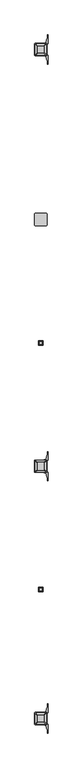
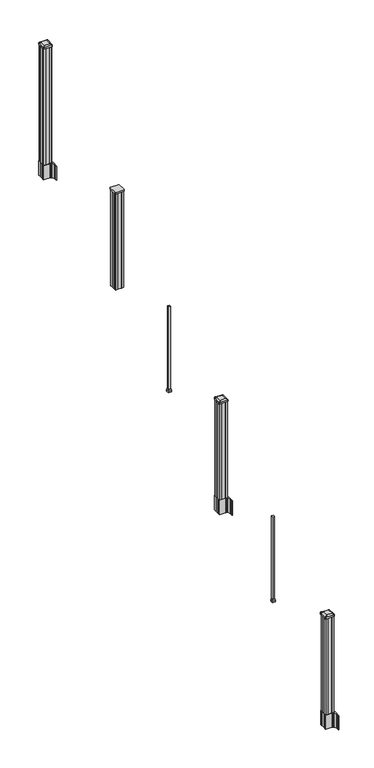
"""IFC4 building model written with IfcOpenShell, lengths in millimetres: railing geometry."""

from ifc_helpers import new_model, si_unit, point, frame, frame_2d, origin, place, context, project, spatial, polyline, circle_curve, trimmed, segment, composite_curve, outline, extrude, faceted_brep, source, transform, mapped, element, save
from ifc_brep_helpers import plane_surface, extruded_surface, advanced_brep


def railing_9b1056f4(model_context):
    return source(origin(), model_context, "Body", "SolidModel", [
        extrude(outline(composite_curve([segment(polyline([(5982.5345228, -99543.3065953), (5898.3970228, -99543.3065953)]), True, "CONTINUOUS"), segment(trimmed(circle_curve(frame_2d((5898.3970228, -99540.1315953)), 3.175), [point((5898.3970228, -99543.3065953))], [point((5895.2220228, -99540.1315953))], False, "CARTESIAN"), True, "CONTINUOUS"), segment(polyline([(5895.2220228, -99540.1315953), (5895.2220228, -99455.9940953)]), True, "CONTINUOUS"), segment(trimmed(circle_curve(frame_2d((5898.3970228, -99455.9940953)), 3.175), [point((5895.2220228, -99455.9940953))], [point((5898.3970228, -99452.8190953))], False, "CARTESIAN"), True, "CONTINUOUS"), segment(polyline([(5898.3970228, -99452.8190953), (5982.5345228, -99452.8190953)]), True, "CONTINUOUS"), segment(trimmed(circle_curve(frame_2d((5982.5345228, -99455.9940953)), 3.175), [point((5982.5345228, -99452.8190953))], [point((5985.7095228, -99455.9940953))], False, "CARTESIAN"), True, "CONTINUOUS"), segment(polyline([(5985.7095228, -99455.9940953), (5985.7095228, -99540.1315953)]), True, "CONTINUOUS"), segment(trimmed(circle_curve(frame_2d((5982.5345228, -99540.1315953)), 3.175), [point((5985.7095228, -99540.1315953))], [point((5982.5345228, -99543.3065953))], False, "CARTESIAN"), True, "CONTINUOUS")], self_intersect=False)), frame((0.0, 0.0, 3507.864263), z_axis=(0.0, 0.0, 1.0), x_axis=(1.0, 0.0, 0.0)), (0.0, 0.0, 1.0), 17.272),
        extrude(outline(polyline([(5980.1532728, -99539.3378453), (5960.5317728, -99539.3378453), (5959.7697728, -99537.7503453), (5921.1617728, -99537.7503453), (5920.3997728, -99539.3378453), (5900.7782728, -99539.3378453), (5899.1907728, -99537.7503453), (5899.1907728, -99518.1288453), (5900.7782728, -99517.3668453), (5900.7782728, -99478.7588453), (5899.1907728, -99477.9968453), (5899.1907728, -99458.3753453), (5900.7782728, -99456.7878453), (5920.3997728, -99456.7878453), (5921.1617728, -99458.3753453), (5959.7697728, -99458.3753453), (5960.5317728, -99456.7878453), (5980.1532728, -99456.7878453), (5981.7407728, -99458.3753453), (5981.7407728, -99477.9968453), (5980.1532728, -99478.7588453), (5980.1532728, -99517.3668453), (5981.7407728, -99518.1288453), (5981.7407728, -99537.7503453), (5980.1532728, -99539.3378453)])), frame((0.0, 0.0, 2476.5), z_axis=(0.0, 0.0, 1.0), x_axis=(1.0, 0.0, 0.0)), (0.0, 0.0, 1.0), 1031.364263),
        faceted_brep([(5927.7657728, -100425.1628453, 1937.1497081), (5953.1657728, -100425.1628453, 1937.1497081), (5953.1657728, -100399.7628453, 1937.1497081), (5927.7657728, -100399.7628453, 1937.1497081), (5924.5907728, -100428.3378453, 1921.2747081), (5924.5907728, -100396.5878453, 1921.2747081), (5956.3407728, -100396.5878453, 1921.2747081), (5956.3407728, -100428.3378453, 1921.2747081)], [[[0, 1, 2, 3]], [[4, 5, 6, 7]], [[4, 7, 1, 0]], [[7, 6, 2, 1]], [[6, 5, 3, 2]], [[5, 4, 0, 3]]]),
        extrude(outline(polyline([(5924.5907728, -100428.3378453), (5924.5907728, -100396.5878453), (5956.3407728, -100396.5878453), (5956.3407728, -100428.3378453), (5924.5907728, -100428.3378453)])), frame((0.0, 0.0, 1905.0), z_axis=(0.0, 0.0, 1.0), x_axis=(1.0, 0.0, 0.0)), (0.0, 0.0, 1.0), 16.2747081),
        extrude(outline(polyline([(5930.9407728, -100421.9878453), (5930.9407728, -100402.9378453), (5949.9907728, -100402.9378453), (5949.9907728, -100421.9878453), (5930.9407728, -100421.9878453)])), frame((0.0, 0.0, 1905.0), z_axis=(0.0, 0.0, 1.0), x_axis=(1.0, 0.0, 0.0)), (0.0, 0.0, 1.0), 914.4),
        extrude(outline(composite_curve([segment(polyline([(5897.7302728, -101344.2489401), (5897.7302728, -101309.4767504), (5896.1427728, -101308.7147504), (5896.1427728, -101285.9128224), (5899.5157498, -101282.5398453), (5960.9754206, -101282.5398453), (5960.9754206, -101281.6190953), (5966.2929645, -101281.6190953), (5966.2929645, -101280.1648406), (5971.3774942, -101280.1648406), (5971.3774942, -101278.8808168), (5973.0447665, -101278.8808168)]), True, "CONTINUOUS"), segment(trimmed(circle_curve(frame_2d((5973.0447665, -101271.8213569)), 7.0594599), [point((5973.0447665, -101278.8808168))], [point((5979.8120293, -101273.8313636))], True, "CARTESIAN"), True, "CONTINUOUS"), segment(polyline([(5979.8120293, -101273.8313636), (5987.6862236, -101247.3206345)]), True, "CONTINUOUS"), segment(trimmed(circle_curve(frame_2d((5932.9017103, -101231.0485848)), 57.15), [point((5987.6862236, -101247.3206345))], [point((5990.0517103, -101231.0485848))], True, "CARTESIAN"), True, "CONTINUOUS"), segment(polyline([(5990.0517103, -101231.0485848), (5990.0517103, -101219.0398453), (5993.0517103, -101219.0398453), (5993.0517103, -101284.1273453), (5984.7887728, -101295.4656366), (5984.7887728, -101308.7147504), (5983.2012728, -101309.4767504), (5983.2012728, -101344.2489401), (5984.7887728, -101345.0109401), (5984.7887728, -101358.260054), (5993.0517103, -101369.5983453), (5993.0517103, -101434.6858453), (5990.0517103, -101434.6858453), (5990.0517103, -101422.6771057)]), True, "CONTINUOUS"), segment(trimmed(circle_curve(frame_2d((5932.9017103, -101422.6771057)), 57.15), [point((5990.0517103, -101422.6771057))], [point((5987.6862236, -101406.4050561))], True, "CARTESIAN"), True, "CONTINUOUS"), segment(polyline([(5987.6862236, -101406.4050561), (5979.8120293, -101379.894327)]), True, "CONTINUOUS"), segment(trimmed(circle_curve(frame_2d((5973.0447665, -101381.9043337)), 7.0594599), [point((5979.8120293, -101379.894327))], [point((5973.0447665, -101374.8448738))], True, "CARTESIAN"), True, "CONTINUOUS"), segment(polyline([(5973.0447665, -101374.8448738), (5971.3774942, -101374.8448738), (5971.3774942, -101373.56085), (5966.2929645, -101373.56085), (5966.2929645, -101372.1065953), (5960.9754206, -101372.1065953), (5960.9754206, -101371.1858453), (5899.5157498, -101371.1858453), (5896.1427728, -101367.8128682), (5896.1427728, -101345.0109401), (5897.7302728, -101344.2489401)]), True, "CONTINUOUS")], self_intersect=False), holes=[polyline([(5981.7407728, -101287.1753453), (5980.1532728, -101285.5878453), (5943.2289902, -101285.5878453), (5900.7782728, -101285.5878453), (5899.1907728, -101287.1753453), (5899.1907728, -101366.5503453), (5900.7782728, -101368.1378453), (5943.2289902, -101368.1378453), (5980.1532728, -101368.1378453), (5981.7407728, -101366.5503453), (5981.7407728, -101287.1753453)])]), frame((0.0, 0.0, 1181.1), z_axis=(0.0, 0.0, 1.0), x_axis=(1.0, 0.0, 0.0)), (0.0, 0.0, 1.0), 152.4),
        advanced_brep(
        [(5966.2626478, -101355.8347203, 2393.439263), (5969.4376478, -101352.6597203, 2393.439263), (5969.4376478, -101301.0659703, 2393.439263), (5966.2626478, -101297.8909703, 2393.439263), (5914.6688978, -101297.8909703, 2393.439263), (5911.4938978, -101301.0659703, 2393.439263), (5911.4938978, -101352.6597203, 2393.439263), (5914.6688978, -101355.8347203, 2393.439263), (5982.5345228, -101372.1065953, 2382.136263), (5898.3970228, -101372.1065953, 2382.136263), (5895.2220228, -101368.9315953, 2382.136263), (5895.2220228, -101284.7940953, 2382.136263), (5898.3970228, -101281.6190953, 2382.136263), (5982.5345228, -101281.6190953, 2382.136263), (5985.7095228, -101284.7940953, 2382.136263), (5985.7095228, -101368.9315953, 2382.136263)],
        [
            (0, 1, circle_curve(frame((5966.2626478, -101352.6597203, 2393.439263), z_axis=(0.0, 0.0, 1.0), x_axis=(0.0, 1.0, 0.0)), 3.175)),
            (1, 2),
            (2, 3, circle_curve(frame((5966.2626478, -101301.0659703, 2393.439263), z_axis=(0.0, 0.0, 1.0), x_axis=(0.0, 1.0, 0.0)), 3.175)),
            (3, 4),
            (4, 5, circle_curve(frame((5914.6688978, -101301.0659703, 2393.439263), z_axis=(0.0, 0.0, 1.0), x_axis=(0.0, 1.0, 0.0)), 3.175)),
            (5, 6),
            (6, 7, circle_curve(frame((5914.6688978, -101352.6597203, 2393.439263), z_axis=(0.0, 0.0, 1.0), x_axis=(0.0, 1.0, 0.0)), 3.175)),
            (7, 0),
            (8, 9),
            (9, 10, circle_curve(frame((5898.3970228, -101368.9315953, 2382.136263), z_axis=(0.0, 0.0, -1.0), x_axis=(0.0, 1.0, 0.0)), 3.175)),
            (10, 11),
            (11, 12, circle_curve(frame((5898.3970228, -101284.7940953, 2382.136263), z_axis=(0.0, 0.0, -1.0), x_axis=(0.0, 1.0, 0.0)), 3.175)),
            (12, 13),
            (13, 14, circle_curve(frame((5982.5345228, -101284.7940953, 2382.136263), z_axis=(0.0, 0.0, -1.0), x_axis=(0.0, 1.0, 0.0)), 3.175)),
            (14, 15),
            (15, 8, circle_curve(frame((5982.5345228, -101368.9315953, 2382.136263), z_axis=(0.0, 0.0, -1.0), x_axis=(0.0, 1.0, 0.0)), 3.175)),
            (15, 1),
            (0, 8),
            (14, 2),
            (13, 3),
            (12, 4),
            (11, 5),
            (10, 6),
            (9, 7),
        ],
        [
            plane_surface(frame((5940.4657728, -101326.8628453, 2393.439263), z_axis=(0.0, 0.0, 1.0), x_axis=(1.0, 0.0, 0.0))),
            plane_surface(frame((5940.4657728, -101326.8628453, 2382.136263), z_axis=(0.0, 0.0, -1.0), x_axis=(1.0, 0.0, 0.0))),
            extruded_surface(trimmed(circle_curve(frame((5982.5345228, -101368.9315953, 2382.136263), z_axis=(0.0, 0.0, 1.0), x_axis=(0.0, 1.0, 0.0)), 3.175), [point((5982.5345228, -101372.1065953, 2382.136263))], [point((5985.7095228, -101368.9315953, 2382.136263))], True, "CARTESIAN"), (-16.271874999999454, 16.27187500000582, 11.303000000000338), 25.63797263886966),
            plane_surface(frame((5985.7095228, -101326.8628453, 2382.136263), z_axis=(0.5705009161540778, 0.0, 0.8212969649690408), x_axis=(0.0, 1.0, 0.0))),
            extruded_surface(trimmed(circle_curve(frame((5982.5345228, -101284.7940953, 2382.136263), z_axis=(0.0, 0.0, 1.0), x_axis=(0.0, 1.0, 0.0)), 3.175), [point((5985.7095228, -101284.7940953, 2382.136263))], [point((5982.5345228, -101281.6190953, 2382.136263))], True, "CARTESIAN"), (-16.271874999999454, -16.27187499999127, 11.303000000000338), 25.637972638860422),
            plane_surface(frame((5940.4657728, -101281.6190953, 2382.136263), z_axis=(0.0, 0.5705009161540291, 0.8212969649690747), x_axis=(-1.0, 0.0, 0.0))),
            extruded_surface(trimmed(circle_curve(frame((5898.3970228, -101284.7940953, 2382.136263), z_axis=(0.0, 0.0, 1.0), x_axis=(0.0, 1.0, 0.0)), 3.175), [point((5898.3970228, -101281.6190953, 2382.136263))], [point((5895.2220228, -101284.7940953, 2382.136263))], True, "CARTESIAN"), (16.271875000000364, -16.27187499999127, 11.303000000000338), 25.637972638861),
            plane_surface(frame((5895.2220228, -101326.8628453, 2382.136263), z_axis=(-0.5705009161540142, 0.0, 0.8212969649690851), x_axis=(0.0, -1.0, 0.0))),
            extruded_surface(trimmed(circle_curve(frame((5898.3970228, -101368.9315953, 2382.136263), z_axis=(0.0, 0.0, 1.0), x_axis=(0.0, 1.0, 0.0)), 3.175), [point((5895.2220228, -101368.9315953, 2382.136263))], [point((5898.3970228, -101372.1065953, 2382.136263))], True, "CARTESIAN"), (16.271875000000364, 16.27187500000582, 11.303000000000338), 25.637972638870238),
            plane_surface(frame((5940.4657728, -101372.1065953, 2382.136263), z_axis=(0.0, -0.570500916154034, 0.8212969649690713), x_axis=(1.0, 0.0, 0.0))),
        ],
        [
            (0, [[1, 2, 3, 4, 5, 6, 7, 8]]),
            (1, [[9, 10, 11, 12, 13, 14, 15, 16]]),
            (2, [[-16, 17, -1, 18]]),
            (3, [[-15, 19, -2, -17]]),
            (4, [[-14, 20, -3, -19]]),
            (5, [[-13, 21, -4, -20]]),
            (6, [[-12, 22, -5, -21]]),
            (7, [[-11, 23, -6, -22]]),
            (8, [[-10, 24, -7, -23]]),
            (9, [[-9, -18, -8, -24]]),
        ],
    ),
        extrude(outline(composite_curve([segment(polyline([(5982.5345228, -101372.1065953), (5898.3970228, -101372.1065953)]), True, "CONTINUOUS"), segment(trimmed(circle_curve(frame_2d((5898.3970228, -101368.9315953)), 3.175), [point((5898.3970228, -101372.1065953))], [point((5895.2220228, -101368.9315953))], False, "CARTESIAN"), True, "CONTINUOUS"), segment(polyline([(5895.2220228, -101368.9315953), (5895.2220228, -101284.7940953)]), True, "CONTINUOUS"), segment(trimmed(circle_curve(frame_2d((5898.3970228, -101284.7940953)), 3.175), [point((5895.2220228, -101284.7940953))], [point((5898.3970228, -101281.6190953))], False, "CARTESIAN"), True, "CONTINUOUS"), segment(polyline([(5898.3970228, -101281.6190953), (5982.5345228, -101281.6190953)]), True, "CONTINUOUS"), segment(trimmed(circle_curve(frame_2d((5982.5345228, -101284.7940953)), 3.175), [point((5982.5345228, -101281.6190953))], [point((5985.7095228, -101284.7940953))], False, "CARTESIAN"), True, "CONTINUOUS"), segment(polyline([(5985.7095228, -101284.7940953), (5985.7095228, -101368.9315953)]), True, "CONTINUOUS"), segment(trimmed(circle_curve(frame_2d((5982.5345228, -101368.9315953)), 3.175), [point((5985.7095228, -101368.9315953))], [point((5982.5345228, -101372.1065953))], False, "CARTESIAN"), True, "CONTINUOUS")], self_intersect=False)), frame((0.0, 0.0, 2364.864263), z_axis=(0.0, 0.0, 1.0), x_axis=(1.0, 0.0, 0.0)), (0.0, 0.0, 1.0), 17.272),
        extrude(outline(polyline([(5980.1532728, -101368.1378453), (5960.5317728, -101368.1378453), (5959.7697728, -101366.5503453), (5921.1617728, -101366.5503453), (5920.3997728, -101368.1378453), (5900.7782728, -101368.1378453), (5899.1907728, -101366.5503453), (5899.1907728, -101346.9288453), (5900.7782728, -101346.1668453), (5900.7782728, -101307.5588453), (5899.1907728, -101306.7968453), (5899.1907728, -101287.1753453), (5900.7782728, -101285.5878453), (5920.3997728, -101285.5878453), (5921.1617728, -101287.1753453), (5959.7697728, -101287.1753453), (5960.5317728, -101285.5878453), (5980.1532728, -101285.5878453), (5981.7407728, -101287.1753453), (5981.7407728, -101306.7968453), (5980.1532728, -101307.5588453), (5980.1532728, -101346.1668453), (5981.7407728, -101346.9288453), (5981.7407728, -101366.5503453), (5980.1532728, -101368.1378453)])), frame((0.0, 0.0, 1333.5), z_axis=(0.0, 0.0, 1.0), x_axis=(1.0, 0.0, 0.0)), (0.0, 0.0, 1.0), 1031.364263),
        faceted_brep([(5927.7657728, -102253.9628453, 794.1497081), (5953.1657728, -102253.9628453, 794.1497081), (5953.1657728, -102228.5628453, 794.1497081), (5927.7657728, -102228.5628453, 794.1497081), (5924.5907728, -102257.1378453, 778.2747081), (5924.5907728, -102225.3878453, 778.2747081), (5956.3407728, -102225.3878453, 778.2747081), (5956.3407728, -102257.1378453, 778.2747081)], [[[0, 1, 2, 3]], [[4, 5, 6, 7]], [[4, 7, 1, 0]], [[7, 6, 2, 1]], [[6, 5, 3, 2]], [[5, 4, 0, 3]]]),
        extrude(outline(polyline([(5924.5907728, -102257.1378453), (5924.5907728, -102225.3878453), (5956.3407728, -102225.3878453), (5956.3407728, -102257.1378453), (5924.5907728, -102257.1378453)])), frame((0.0, 0.0, 762.0), z_axis=(0.0, 0.0, 1.0), x_axis=(1.0, 0.0, 0.0)), (0.0, 0.0, 1.0), 16.2747081),
        extrude(outline(polyline([(5930.9407728, -102250.7878453), (5930.9407728, -102231.7378453), (5949.9907728, -102231.7378453), (5949.9907728, -102250.7878453), (5930.9407728, -102250.7878453)])), frame((0.0, 0.0, 762.0), z_axis=(0.0, 0.0, 1.0), x_axis=(1.0, 0.0, 0.0)), (0.0, 0.0, 1.0), 914.4),
        extrude(outline(polyline([(5980.1532728, -98278.7358453), (5960.5317728, -98278.7358453), (5959.7697728, -98277.1483453), (5921.1617728, -98277.1483453), (5920.3997728, -98278.7358453), (5900.7782728, -98278.7358453), (5899.1907728, -98277.1483453), (5899.1907728, -98257.5268453), (5900.7782728, -98256.7648453), (5900.7782728, -98218.1568453), (5899.1907728, -98217.3948453), (5899.1907728, -98197.7733453), (5900.7782728, -98196.1858453), (5920.3997728, -98196.1858453), (5921.1617728, -98197.7733453), (5959.7697728, -98197.7733453), (5960.5317728, -98196.1858453), (5980.1532728, -98196.1858453), (5981.7407728, -98197.7733453), (5981.7407728, -98217.3948453), (5980.1532728, -98218.1568453), (5980.1532728, -98256.7648453), (5981.7407728, -98257.5268453), (5981.7407728, -98277.1483453), (5980.1532728, -98278.7358453)])), frame((0.0, 0.0, 3048.0), z_axis=(0.0, 0.0, 1.0), x_axis=(1.0, 0.0, 0.0)), (0.0, 0.0, 1.0), 1247.740513),
        extrude(outline(composite_curve([segment(polyline([(5897.7302728, -98254.8469401), (5897.7302728, -98220.0747504), (5896.1427728, -98219.3127504), (5896.1427728, -98196.5108224), (5899.5157498, -98193.1378453), (5960.9754206, -98193.1378453), (5960.9754206, -98192.2170953), (5966.2929645, -98192.2170953), (5966.2929645, -98190.7628406), (5971.3774942, -98190.7628406), (5971.3774942, -98189.4788168), (5973.0447665, -98189.4788168)]), True, "CONTINUOUS"), segment(trimmed(circle_curve(frame_2d((5973.0447665, -98182.4193569)), 7.0594599), [point((5973.0447665, -98189.4788168))], [point((5979.8120293, -98184.4293636))], True, "CARTESIAN"), True, "CONTINUOUS"), segment(polyline([(5979.8120293, -98184.4293636), (5987.6862236, -98157.9186345)]), True, "CONTINUOUS"), segment(trimmed(circle_curve(frame_2d((5932.9017103, -98141.6465848)), 57.15), [point((5987.6862236, -98157.9186345))], [point((5990.0517103, -98141.6465848))], True, "CARTESIAN"), True, "CONTINUOUS"), segment(polyline([(5990.0517103, -98141.6465848), (5990.0517103, -98129.6378453), (5993.0517103, -98129.6378453), (5993.0517103, -98194.7253453), (5984.7887728, -98206.0636366), (5984.7887728, -98219.3127504), (5983.2012728, -98220.0747504), (5983.2012728, -98254.8469401), (5984.7887728, -98255.6089401), (5984.7887728, -98268.858054), (5993.0517103, -98280.1963453), (5993.0517103, -98345.2838453), (5990.0517103, -98345.2838453), (5990.0517103, -98333.2751057)]), True, "CONTINUOUS"), segment(trimmed(circle_curve(frame_2d((5932.9017103, -98333.2751057)), 57.15), [point((5990.0517103, -98333.2751057))], [point((5987.6862236, -98317.0030561))], True, "CARTESIAN"), True, "CONTINUOUS"), segment(polyline([(5987.6862236, -98317.0030561), (5979.8120293, -98290.492327)]), True, "CONTINUOUS"), segment(trimmed(circle_curve(frame_2d((5973.0447665, -98292.5023337)), 7.0594599), [point((5979.8120293, -98290.492327))], [point((5973.0447665, -98285.4428738))], True, "CARTESIAN"), True, "CONTINUOUS"), segment(polyline([(5973.0447665, -98285.4428738), (5971.3774942, -98285.4428738), (5971.3774942, -98284.15885), (5966.2929645, -98284.15885), (5966.2929645, -98282.7045953), (5960.9754206, -98282.7045953), (5960.9754206, -98281.7838453), (5899.5157498, -98281.7838453), (5896.1427728, -98278.4108682), (5896.1427728, -98255.6089401), (5897.7302728, -98254.8469401)]), True, "CONTINUOUS")], self_intersect=False), holes=[polyline([(5981.7407728, -98197.7733453), (5980.1532728, -98196.1858453), (5943.2289902, -98196.1858453), (5900.7782728, -98196.1858453), (5899.1907728, -98197.7733453), (5899.1907728, -98277.1483453), (5900.7782728, -98278.7358453), (5943.2289902, -98278.7358453), (5980.1532728, -98278.7358453), (5981.7407728, -98277.1483453), (5981.7407728, -98197.7733453)])]), frame((0.0, 0.0, 2895.6), z_axis=(0.0, 0.0, 1.0), x_axis=(1.0, 0.0, 0.0)), (0.0, 0.0, 1.0), 152.4),
        advanced_brep(
        [(5966.2626478, -98266.4327203, 4324.315513), (5969.4376478, -98263.2577203, 4324.315513), (5969.4376478, -98211.6639703, 4324.315513), (5966.2626478, -98208.4889703, 4324.315513), (5914.6688978, -98208.4889703, 4324.315513), (5911.4938978, -98211.6639703, 4324.315513), (5911.4938978, -98263.2577203, 4324.315513), (5914.6688978, -98266.4327203, 4324.315513), (5982.5345228, -98282.7045953, 4313.012513), (5898.3970228, -98282.7045953, 4313.012513), (5895.2220228, -98279.5295953, 4313.012513), (5895.2220228, -98195.3920953, 4313.012513), (5898.3970228, -98192.2170953, 4313.012513), (5982.5345228, -98192.2170953, 4313.012513), (5985.7095228, -98195.3920953, 4313.012513), (5985.7095228, -98279.5295953, 4313.012513)],
        [
            (0, 1, circle_curve(frame((5966.2626478, -98263.2577203, 4324.315513), z_axis=(0.0, 0.0, 1.0), x_axis=(0.0, 1.0, 0.0)), 3.175)),
            (1, 2),
            (2, 3, circle_curve(frame((5966.2626478, -98211.6639703, 4324.315513), z_axis=(0.0, 0.0, 1.0), x_axis=(0.0, 1.0, 0.0)), 3.175)),
            (3, 4),
            (4, 5, circle_curve(frame((5914.6688978, -98211.6639703, 4324.315513), z_axis=(0.0, 0.0, 1.0), x_axis=(0.0, 1.0, 0.0)), 3.175)),
            (5, 6),
            (6, 7, circle_curve(frame((5914.6688978, -98263.2577203, 4324.315513), z_axis=(0.0, 0.0, 1.0), x_axis=(0.0, 1.0, 0.0)), 3.175)),
            (7, 0),
            (8, 9),
            (9, 10, circle_curve(frame((5898.3970228, -98279.5295953, 4313.012513), z_axis=(0.0, 0.0, -1.0), x_axis=(0.0, 1.0, 0.0)), 3.175)),
            (10, 11),
            (11, 12, circle_curve(frame((5898.3970228, -98195.3920953, 4313.012513), z_axis=(0.0, 0.0, -1.0), x_axis=(0.0, 1.0, 0.0)), 3.175)),
            (12, 13),
            (13, 14, circle_curve(frame((5982.5345228, -98195.3920953, 4313.012513), z_axis=(0.0, 0.0, -1.0), x_axis=(0.0, 1.0, 0.0)), 3.175)),
            (14, 15),
            (15, 8, circle_curve(frame((5982.5345228, -98279.5295953, 4313.012513), z_axis=(0.0, 0.0, -1.0), x_axis=(0.0, 1.0, 0.0)), 3.175)),
            (15, 1),
            (0, 8),
            (14, 2),
            (13, 3),
            (12, 4),
            (11, 5),
            (10, 6),
            (9, 7),
        ],
        [
            plane_surface(frame((5940.4657728, -98237.4608453, 4324.315513), z_axis=(0.0, 0.0, 1.0), x_axis=(1.0, 0.0, 0.0))),
            plane_surface(frame((5940.4657728, -98237.4608453, 4313.012513), z_axis=(0.0, 0.0, -1.0), x_axis=(1.0, 0.0, 0.0))),
            extruded_surface(trimmed(circle_curve(frame((5982.5345228, -98279.5295953, 4313.012513), z_axis=(0.0, 0.0, 1.0), x_axis=(0.0, 1.0, 0.0)), 3.175), [point((5982.5345228, -98282.7045953, 4313.012513))], [point((5985.7095228, -98279.5295953, 4313.012513))], True, "CARTESIAN"), (-16.271874999999454, 16.27187500000582, 11.302999999999884), 25.63797263886946),
            plane_surface(frame((5985.7095228, -98237.4608453, 4313.012513), z_axis=(0.5705009161540687, 0.0, 0.8212969649690472), x_axis=(0.0, 1.0, 0.0))),
            extruded_surface(trimmed(circle_curve(frame((5982.5345228, -98195.3920953, 4313.012513), z_axis=(0.0, 0.0, 1.0), x_axis=(0.0, 1.0, 0.0)), 3.175), [point((5985.7095228, -98195.3920953, 4313.012513))], [point((5982.5345228, -98192.2170953, 4313.012513))], True, "CARTESIAN"), (-16.271874999999454, -16.27187499999127, 11.302999999999884), 25.637972638860223),
            plane_surface(frame((5940.4657728, -98192.2170953, 4313.012513), z_axis=(0.0, 0.5705009161540291, 0.8212969649690747), x_axis=(-1.0, 0.0, 0.0))),
            extruded_surface(trimmed(circle_curve(frame((5898.3970228, -98195.3920953, 4313.012513), z_axis=(0.0, 0.0, 1.0), x_axis=(0.0, 1.0, 0.0)), 3.175), [point((5898.3970228, -98192.2170953, 4313.012513))], [point((5895.2220228, -98195.3920953, 4313.012513))], True, "CARTESIAN"), (16.271875000000364, -16.27187499999127, 11.302999999999884), 25.637972638860802),
            plane_surface(frame((5895.2220228, -98237.4608453, 4313.012513), z_axis=(-0.5705009161540233, 0.0, 0.8212969649690787), x_axis=(0.0, -1.0, 0.0))),
            extruded_surface(trimmed(circle_curve(frame((5898.3970228, -98279.5295953, 4313.012513), z_axis=(0.0, 0.0, 1.0), x_axis=(0.0, 1.0, 0.0)), 3.175), [point((5895.2220228, -98279.5295953, 4313.012513))], [point((5898.3970228, -98282.7045953, 4313.012513))], True, "CARTESIAN"), (16.271875000000364, 16.27187500000582, 11.302999999999884), 25.637972638870036),
            plane_surface(frame((5940.4657728, -98282.7045953, 4313.012513), z_axis=(0.0, -0.570500916154034, 0.8212969649690713), x_axis=(1.0, 0.0, 0.0))),
        ],
        [
            (0, [[1, 2, 3, 4, 5, 6, 7, 8]]),
            (1, [[9, 10, 11, 12, 13, 14, 15, 16]]),
            (2, [[-16, 17, -1, 18]]),
            (3, [[-15, 19, -2, -17]]),
            (4, [[-14, 20, -3, -19]]),
            (5, [[-13, 21, -4, -20]]),
            (6, [[-12, 22, -5, -21]]),
            (7, [[-11, 23, -6, -22]]),
            (8, [[-10, 24, -7, -23]]),
            (9, [[-9, -18, -8, -24]]),
        ],
    ),
        extrude(outline(composite_curve([segment(polyline([(5982.5345228, -98282.7045953), (5898.3970228, -98282.7045953)]), True, "CONTINUOUS"), segment(trimmed(circle_curve(frame_2d((5898.3970228, -98279.5295953)), 3.175), [point((5898.3970228, -98282.7045953))], [point((5895.2220228, -98279.5295953))], False, "CARTESIAN"), True, "CONTINUOUS"), segment(polyline([(5895.2220228, -98279.5295953), (5895.2220228, -98195.3920953)]), True, "CONTINUOUS"), segment(trimmed(circle_curve(frame_2d((5898.3970228, -98195.3920953)), 3.175), [point((5895.2220228, -98195.3920953))], [point((5898.3970228, -98192.2170953))], False, "CARTESIAN"), True, "CONTINUOUS"), segment(polyline([(5898.3970228, -98192.2170953), (5982.5345228, -98192.2170953)]), True, "CONTINUOUS"), segment(trimmed(circle_curve(frame_2d((5982.5345228, -98195.3920953)), 3.175), [point((5982.5345228, -98192.2170953))], [point((5985.7095228, -98195.3920953))], False, "CARTESIAN"), True, "CONTINUOUS"), segment(polyline([(5985.7095228, -98195.3920953), (5985.7095228, -98279.5295953)]), True, "CONTINUOUS"), segment(trimmed(circle_curve(frame_2d((5982.5345228, -98279.5295953)), 3.175), [point((5985.7095228, -98279.5295953))], [point((5982.5345228, -98282.7045953))], False, "CARTESIAN"), True, "CONTINUOUS")], self_intersect=False)), frame((0.0, 0.0, 4295.740513), z_axis=(0.0, 0.0, 1.0), x_axis=(1.0, 0.0, 0.0)), (0.0, 0.0, 1.0), 17.272),
        extrude(outline(composite_curve([segment(polyline([(5897.7302728, -103214.4509401), (5897.7302728, -103179.6787504), (5896.1427728, -103178.9167504), (5896.1427728, -103156.1148224), (5899.5157498, -103152.7418453), (5960.9754206, -103152.7418453), (5960.9754206, -103151.8210953), (5966.2929645, -103151.8210953), (5966.2929645, -103150.3668406), (5971.3774942, -103150.3668406), (5971.3774942, -103149.0828168), (5973.0447665, -103149.0828168)]), True, "CONTINUOUS"), segment(trimmed(circle_curve(frame_2d((5973.0447665, -103142.0233569)), 7.0594599), [point((5973.0447665, -103149.0828168))], [point((5979.8120293, -103144.0333636))], True, "CARTESIAN"), True, "CONTINUOUS"), segment(polyline([(5979.8120293, -103144.0333636), (5987.6862236, -103117.5226345)]), True, "CONTINUOUS"), segment(trimmed(circle_curve(frame_2d((5932.9017103, -103101.2505848)), 57.15), [point((5987.6862236, -103117.5226345))], [point((5990.0517103, -103101.2505848))], True, "CARTESIAN"), True, "CONTINUOUS"), segment(polyline([(5990.0517103, -103101.2505848), (5990.0517103, -103089.2418453), (5993.0517103, -103089.2418453), (5993.0517103, -103154.3293453), (5984.7887728, -103165.6676366), (5984.7887728, -103178.9167504), (5983.2012728, -103179.6787504), (5983.2012728, -103214.4509401), (5984.7887728, -103215.2129401), (5984.7887728, -103228.462054), (5993.0517103, -103239.8003453), (5993.0517103, -103304.8878453), (5990.0517103, -103304.8878453), (5990.0517103, -103292.8791057)]), True, "CONTINUOUS"), segment(trimmed(circle_curve(frame_2d((5932.9017103, -103292.8791057)), 57.15), [point((5990.0517103, -103292.8791057))], [point((5987.6862236, -103276.6070561))], True, "CARTESIAN"), True, "CONTINUOUS"), segment(polyline([(5987.6862236, -103276.6070561), (5979.8120293, -103250.096327)]), True, "CONTINUOUS"), segment(trimmed(circle_curve(frame_2d((5973.0447665, -103252.1063337)), 7.0594599), [point((5979.8120293, -103250.096327))], [point((5973.0447665, -103245.0468738))], True, "CARTESIAN"), True, "CONTINUOUS"), segment(polyline([(5973.0447665, -103245.0468738), (5971.3774942, -103245.0468738), (5971.3774942, -103243.76285), (5966.2929645, -103243.76285), (5966.2929645, -103242.3085953), (5960.9754206, -103242.3085953), (5960.9754206, -103241.3878453), (5899.5157498, -103241.3878453), (5896.1427728, -103238.0148682), (5896.1427728, -103215.2129401), (5897.7302728, -103214.4509401)]), True, "CONTINUOUS")], self_intersect=False), holes=[polyline([(5981.7407728, -103157.3773453), (5980.1532728, -103155.7898453), (5943.2289902, -103155.7898453), (5900.7782728, -103155.7898453), (5899.1907728, -103157.3773453), (5899.1907728, -103236.7523453), (5900.7782728, -103238.3398453), (5943.2289902, -103238.3398453), (5980.1532728, -103238.3398453), (5981.7407728, -103236.7523453), (5981.7407728, -103157.3773453)])]), frame((0.0, 0.0, 12.22375), z_axis=(0.0, 0.0, 1.0), x_axis=(1.0, 0.0, 0.0)), (0.0, 0.0, 1.0), 152.4),
        advanced_brep(
        [(5966.2626478, -103226.0367203, 1224.563013), (5969.4376478, -103222.8617203, 1224.563013), (5969.4376478, -103171.2679703, 1224.563013), (5966.2626478, -103168.0929703, 1224.563013), (5914.6688978, -103168.0929703, 1224.563013), (5911.4938978, -103171.2679703, 1224.563013), (5911.4938978, -103222.8617203, 1224.563013), (5914.6688978, -103226.0367203, 1224.563013), (5982.5345228, -103242.3085953, 1213.260013), (5898.3970228, -103242.3085953, 1213.260013), (5895.2220228, -103239.1335953, 1213.260013), (5895.2220228, -103154.9960953, 1213.260013), (5898.3970228, -103151.8210953, 1213.260013), (5982.5345228, -103151.8210953, 1213.260013), (5985.7095228, -103154.9960953, 1213.260013), (5985.7095228, -103239.1335953, 1213.260013)],
        [
            (0, 1, circle_curve(frame((5966.2626478, -103222.8617203, 1224.563013), z_axis=(0.0, 0.0, 1.0), x_axis=(0.0, 1.0, 0.0)), 3.175)),
            (1, 2),
            (2, 3, circle_curve(frame((5966.2626478, -103171.2679703, 1224.563013), z_axis=(0.0, 0.0, 1.0), x_axis=(0.0, 1.0, 0.0)), 3.175)),
            (3, 4),
            (4, 5, circle_curve(frame((5914.6688978, -103171.2679703, 1224.563013), z_axis=(0.0, 0.0, 1.0), x_axis=(0.0, 1.0, 0.0)), 3.175)),
            (5, 6),
            (6, 7, circle_curve(frame((5914.6688978, -103222.8617203, 1224.563013), z_axis=(0.0, 0.0, 1.0), x_axis=(0.0, 1.0, 0.0)), 3.175)),
            (7, 0),
            (8, 9),
            (9, 10, circle_curve(frame((5898.3970228, -103239.1335953, 1213.260013), z_axis=(0.0, 0.0, -1.0), x_axis=(0.0, 1.0, 0.0)), 3.175)),
            (10, 11),
            (11, 12, circle_curve(frame((5898.3970228, -103154.9960953, 1213.260013), z_axis=(0.0, 0.0, -1.0), x_axis=(0.0, 1.0, 0.0)), 3.175)),
            (12, 13),
            (13, 14, circle_curve(frame((5982.5345228, -103154.9960953, 1213.260013), z_axis=(0.0, 0.0, -1.0), x_axis=(0.0, 1.0, 0.0)), 3.175)),
            (14, 15),
            (15, 8, circle_curve(frame((5982.5345228, -103239.1335953, 1213.260013), z_axis=(0.0, 0.0, -1.0), x_axis=(0.0, 1.0, 0.0)), 3.175)),
            (15, 1),
            (0, 8),
            (14, 2),
            (13, 3),
            (12, 4),
            (11, 5),
            (10, 6),
            (9, 7),
        ],
        [
            plane_surface(frame((5940.4657728, -103197.0648453, 1224.563013), z_axis=(0.0, 0.0, 1.0), x_axis=(1.0, 0.0, 0.0))),
            plane_surface(frame((5940.4657728, -103197.0648453, 1213.260013), z_axis=(0.0, 0.0, -1.0), x_axis=(1.0, 0.0, 0.0))),
            extruded_surface(trimmed(circle_curve(frame((5982.5345228, -103239.1335953, 1213.260013), z_axis=(0.0, 0.0, 1.0), x_axis=(0.0, 1.0, 0.0)), 3.175), [point((5982.5345228, -103242.3085953, 1213.260013))], [point((5985.7095228, -103239.1335953, 1213.260013))], True, "CARTESIAN"), (-16.271874999999454, 16.27187499999127, 11.302999999999884), 25.637972638860223),
            plane_surface(frame((5985.7095228, -103197.0648453, 1213.260013), z_axis=(0.5705009161540778, 0.0, 0.8212969649690408), x_axis=(0.0, 1.0, 0.0))),
            extruded_surface(trimmed(circle_curve(frame((5982.5345228, -103154.9960953, 1213.260013), z_axis=(0.0, 0.0, 1.0), x_axis=(0.0, 1.0, 0.0)), 3.175), [point((5985.7095228, -103154.9960953, 1213.260013))], [point((5982.5345228, -103151.8210953, 1213.260013))], True, "CARTESIAN"), (-16.271874999999454, -16.27187500000582, 11.302999999999884), 25.63797263886946),
            plane_surface(frame((5940.4657728, -103151.8210953, 1213.260013), z_axis=(0.0, 0.5705009161540291, 0.8212969649690747), x_axis=(-1.0, 0.0, 0.0))),
            extruded_surface(trimmed(circle_curve(frame((5898.3970228, -103154.9960953, 1213.260013), z_axis=(0.0, 0.0, 1.0), x_axis=(0.0, 1.0, 0.0)), 3.175), [point((5898.3970228, -103151.8210953, 1213.260013))], [point((5895.2220228, -103154.9960953, 1213.260013))], True, "CARTESIAN"), (16.271875000000364, -16.27187500000582, 11.302999999999884), 25.637972638870036),
            plane_surface(frame((5895.2220228, -103197.0648453, 1213.260013), z_axis=(-0.5705009161540142, 0.0, 0.8212969649690851), x_axis=(0.0, -1.0, 0.0))),
            extruded_surface(trimmed(circle_curve(frame((5898.3970228, -103239.1335953, 1213.260013), z_axis=(0.0, 0.0, 1.0), x_axis=(0.0, 1.0, 0.0)), 3.175), [point((5895.2220228, -103239.1335953, 1213.260013))], [point((5898.3970228, -103242.3085953, 1213.260013))], True, "CARTESIAN"), (16.271875000000364, 16.27187499999127, 11.302999999999884), 25.637972638860802),
            plane_surface(frame((5940.4657728, -103242.3085953, 1213.260013), z_axis=(0.0, -0.570500916154034, 0.8212969649690713), x_axis=(1.0, 0.0, 0.0))),
        ],
        [
            (0, [[1, 2, 3, 4, 5, 6, 7, 8]]),
            (1, [[9, 10, 11, 12, 13, 14, 15, 16]]),
            (2, [[-16, 17, -1, 18]]),
            (3, [[-15, 19, -2, -17]]),
            (4, [[-14, 20, -3, -19]]),
            (5, [[-13, 21, -4, -20]]),
            (6, [[-12, 22, -5, -21]]),
            (7, [[-11, 23, -6, -22]]),
            (8, [[-10, 24, -7, -23]]),
            (9, [[-9, -18, -8, -24]]),
        ],
    ),
        extrude(outline(composite_curve([segment(polyline([(5982.5345228, -103242.3085953), (5898.3970228, -103242.3085953)]), True, "CONTINUOUS"), segment(trimmed(circle_curve(frame_2d((5898.3970228, -103239.1335953)), 3.175), [point((5898.3970228, -103242.3085953))], [point((5895.2220228, -103239.1335953))], False, "CARTESIAN"), True, "CONTINUOUS"), segment(polyline([(5895.2220228, -103239.1335953), (5895.2220228, -103154.9960953)]), True, "CONTINUOUS"), segment(trimmed(circle_curve(frame_2d((5898.3970228, -103154.9960953)), 3.175), [point((5895.2220228, -103154.9960953))], [point((5898.3970228, -103151.8210953))], False, "CARTESIAN"), True, "CONTINUOUS"), segment(polyline([(5898.3970228, -103151.8210953), (5982.5345228, -103151.8210953)]), True, "CONTINUOUS"), segment(trimmed(circle_curve(frame_2d((5982.5345228, -103154.9960953)), 3.175), [point((5982.5345228, -103151.8210953))], [point((5985.7095228, -103154.9960953))], False, "CARTESIAN"), True, "CONTINUOUS"), segment(polyline([(5985.7095228, -103154.9960953), (5985.7095228, -103239.1335953)]), True, "CONTINUOUS"), segment(trimmed(circle_curve(frame_2d((5982.5345228, -103239.1335953)), 3.175), [point((5985.7095228, -103239.1335953))], [point((5982.5345228, -103242.3085953))], False, "CARTESIAN"), True, "CONTINUOUS")], self_intersect=False)), frame((0.0, 0.0, 1195.988013), z_axis=(0.0, 0.0, 1.0), x_axis=(1.0, 0.0, 0.0)), (0.0, 0.0, 1.0), 17.272),
        extrude(outline(polyline([(5980.1532728, -103238.3398453), (5960.5317728, -103238.3398453), (5959.7697728, -103236.7523453), (5921.1617728, -103236.7523453), (5920.3997728, -103238.3398453), (5900.7782728, -103238.3398453), (5899.1907728, -103236.7523453), (5899.1907728, -103217.1308453), (5900.7782728, -103216.3688453), (5900.7782728, -103177.7608453), (5899.1907728, -103176.9988453), (5899.1907728, -103157.3773453), (5900.7782728, -103155.7898453), (5920.3997728, -103155.7898453), (5921.1617728, -103157.3773453), (5959.7697728, -103157.3773453), (5960.5317728, -103155.7898453), (5980.1532728, -103155.7898453), (5981.7407728, -103157.3773453), (5981.7407728, -103176.9988453), (5980.1532728, -103177.7608453), (5980.1532728, -103216.3688453), (5981.7407728, -103217.1308453), (5981.7407728, -103236.7523453), (5980.1532728, -103238.3398453)])), frame((0.0, 0.0, 164.62375), z_axis=(0.0, 0.0, 1.0), x_axis=(1.0, 0.0, 0.0)), (0.0, 0.0, 1.0), 1031.364263),
    ])


if __name__ == "__main__":
    model = new_model("IFC4")
    model_context = context("Model", 3, world=origin())
    ifc_project = project(units=[si_unit("LENGTHUNIT", "METRE", prefix="MILLI")], contexts=[model_context])
    site = spatial("IfcSite", under=ifc_project)
    building = spatial("IfcBuilding", under=site)
    placement = place(None, origin())
    railing_shape = railing_9b1056f4(model_context)
    element("IfcRailing", 1, at=placement, inside=building, context=model_context, shape_type="MappedRepresentation", body=[
        mapped(railing_shape, transform((0.0, 0.0, 0.0), x_axis=(1.0, 0.0, 0.0), y_axis=(0.0, 1.0, 0.0), z_axis=(0.0, 0.0, 1.0))),
    ])
    save(model, "model.ifc")
